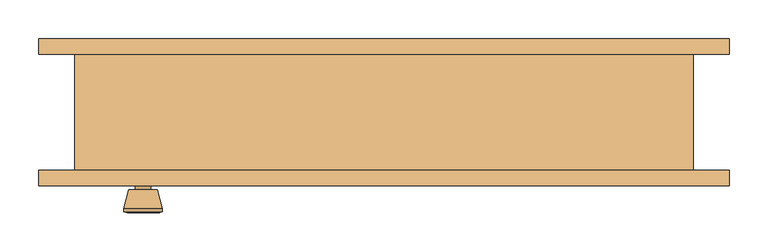
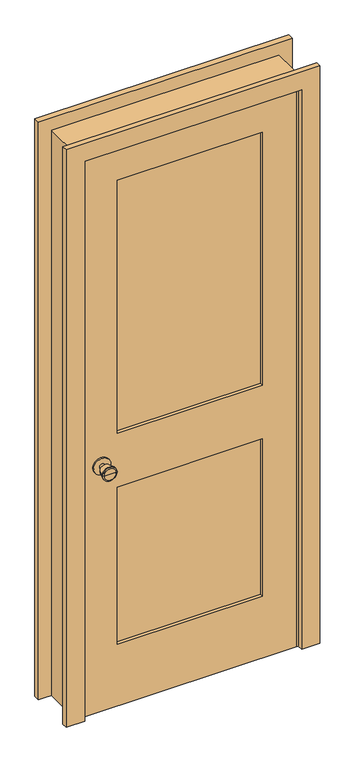
"""IFC4 building model written with IfcOpenShell, lengths in millimetres: door geometry."""

from ifc_helpers import new_model, si_unit, point, frame, frame_2d, origin, place, context, project, spatial, polyline, circle_curve, trimmed, segment, composite_curve, outline, extrude, faceted_brep, source, transform, mapped, element, save
from ifc_brep_helpers import plane_surface, cylinder_surface, revolved_surface, advanced_brep


def door_7b0aa390(model_context):
    return source(origin(), model_context, "Body", "SolidModel", [
        advanced_brep(
        [(-311.5, -30.825, 914.4), (-321.5, -30.825, 914.4), (-301.5, -30.825, 914.4), (-291.0241324, 18.175, 914.4), (-331.9758676, 18.175, 914.4), (-311.5, 18.175, 914.4), (-286.5, 16.3471319, 914.4), (-336.5, 16.3471319, 914.4), (-286.5, 12.8834537, 914.4), (-336.5, 12.8834537, 914.4), (-292.863764, -11.825, 914.4), (-330.136236, -11.825, 914.4), (-301.5, -11.825, 914.4), (-321.5, -11.825, 914.4)],
        [
            (0, 1),
            (1, 2, circle_curve(frame((-311.5, -30.825, 914.4), z_axis=(0.0, -1.0, 0.0), x_axis=(-1.0, 0.0, 0.0)), 10.0)),
            (2, 0),
            (2, 1, circle_curve(frame((-311.5, -30.825, 914.4), z_axis=(0.0, -1.0, 0.0), x_axis=(-1.0, 0.0, 0.0)), 10.0)),
            (3, 4, circle_curve(frame((-311.5, 18.175, 914.4), z_axis=(0.0, 1.0, 0.0), x_axis=(-1.0, 0.0, 0.0)), 20.4758676)),
            (4, 5),
            (5, 3),
            (4, 3, circle_curve(frame((-311.5, 18.175, 914.4), z_axis=(0.0, 1.0, 0.0), x_axis=(-1.0, 0.0, 0.0)), 20.4758676)),
            (6, 7, circle_curve(frame((-311.5, 16.3471319, 914.4), z_axis=(0.0, 1.0, 0.0), x_axis=(-1.0, 0.0, 0.0)), 25.0)),
            (7, 4),
            (3, 6),
            (7, 6, circle_curve(frame((-311.5, 16.3471319, 914.4), z_axis=(0.0, 1.0, 0.0), x_axis=(-1.0, 0.0, 0.0)), 25.0)),
            (8, 9, circle_curve(frame((-311.5, 12.8834537, 914.4), z_axis=(0.0, 1.0, 0.0), x_axis=(-1.0, 0.0, 0.0)), 25.0)),
            (9, 7),
            (6, 8),
            (9, 8, circle_curve(frame((-311.5, 12.8834537, 914.4), z_axis=(0.0, 1.0, 0.0), x_axis=(-1.0, 0.0, 0.0)), 25.0)),
            (10, 11, circle_curve(frame((-311.5, -11.825, 914.4), z_axis=(0.0, 1.0, 0.0), x_axis=(-1.0, 0.0, 0.0)), 18.636236)),
            (11, 9),
            (8, 10),
            (11, 10, circle_curve(frame((-311.5, -11.825, 914.4), z_axis=(0.0, 1.0, 0.0), x_axis=(-1.0, 0.0, 0.0)), 18.636236)),
            (12, 13, circle_curve(frame((-311.5, -11.825, 914.4), z_axis=(0.0, 1.0, 0.0), x_axis=(-1.0, 0.0, 0.0)), 10.0)),
            (13, 11),
            (10, 12),
            (13, 12, circle_curve(frame((-311.5, -11.825, 914.4), z_axis=(0.0, 1.0, 0.0), x_axis=(-1.0, 0.0, 0.0)), 10.0)),
            (1, 13),
            (12, 2),
        ],
        [
            plane_surface(frame((-311.5, -30.825, 914.4), z_axis=(0.0, -1.0, 0.0), x_axis=(-1.0, 0.0, 0.0))),
            plane_surface(frame((-311.5, 18.175, 914.4), z_axis=(0.0, 1.0, 0.0), x_axis=(-1.0, 0.0, 0.0))),
            revolved_surface(polyline([(-331.9758676, 18.175, 914.4), (-336.5, 16.3471319, 914.4)]), (-311.5, -30.825, 914.4), (0.0, -1.0, 0.0)),
            cylinder_surface(frame((-311.5, -30.825, 914.4), z_axis=(0.0, -1.0, 0.0), x_axis=(-1.0, 0.0, 0.0)), 25.0),
            revolved_surface(polyline([(-336.5, 12.8834537, 914.4), (-330.136236, -11.825, 914.4)]), (-311.5, -30.825, 914.4), (0.0, -1.0, 0.0)),
            plane_surface(frame((-311.5, -11.825, 914.4), z_axis=(0.0, -1.0, 0.0), x_axis=(-1.0, 0.0, 0.0))),
            cylinder_surface(frame((-311.5, -30.825, 914.4), z_axis=(0.0, -1.0, 0.0), x_axis=(-1.0, 0.0, 0.0)), 10.0),
        ],
        [
            (0, [[1, 2, 3]]),
            (0, [[-3, 4, -1]]),
            (1, [[5, 6, 7]]),
            (1, [[8, -7, -6]]),
            (2, [[9, 10, -5, 11]]),
            (2, [[12, -11, -8, -10]]),
            (3, [[13, 14, -9, 15]]),
            (3, [[16, -15, -12, -14]]),
            (4, [[17, 18, -13, 19]]),
            (4, [[20, -19, -16, -18]]),
            (5, [[21, 22, -17, 23]]),
            (5, [[24, -23, -20, -22]]),
            (6, [[-2, 25, -21, 26]]),
            (6, [[-4, -26, -24, -25]]),
        ],
    ),
        extrude(outline(composite_curve([segment(trimmed(circle_curve(frame_2d((914.4, -311.5)), 30.0), [point((914.4, -341.5))], [point((914.4, -281.5))], False, "CARTESIAN"), True, "CONTINUOUS"), segment(trimmed(circle_curve(frame_2d((914.4, -311.5)), 30.0), [point((914.4, -281.5))], [point((914.4, -341.5))], False, "CARTESIAN"), True, "CONTINUOUS")], self_intersect=False)), frame((0.0, -36.825, 0.0), z_axis=(0.0, 1.0, 0.0), x_axis=(0.0, 0.0, 1.0)), (0.0, 0.0, 1.0), 6.0),
        advanced_brep(
        [(-311.5, -77.825, 914.4), (-301.5, -77.825, 914.4), (-321.5, -77.825, 914.4), (-291.0241324, -126.825, 914.4), (-311.5, -126.825, 914.4), (-331.9758676, -126.825, 914.4), (-286.5, -124.9971319, 914.4), (-336.5, -124.9971319, 914.4), (-286.5, -121.5334537, 914.4), (-336.5, -121.5334537, 914.4), (-292.863764, -96.825, 914.4), (-330.136236, -96.825, 914.4), (-301.5, -96.825, 914.4), (-321.5, -96.825, 914.4)],
        [
            (0, 1),
            (1, 2, circle_curve(frame((-311.5, -77.825, 914.4), z_axis=(0.0, 1.0, 0.0), x_axis=(-1.0, 0.0, 0.0)), 10.0)),
            (2, 0),
            (2, 1, circle_curve(frame((-311.5, -77.825, 914.4), z_axis=(0.0, 1.0, 0.0), x_axis=(-1.0, 0.0, 0.0)), 10.0)),
            (3, 4),
            (4, 5),
            (5, 3, circle_curve(frame((-311.5, -126.825, 914.4), z_axis=(0.0, -1.0, 0.0), x_axis=(-1.0, 0.0, 0.0)), 20.4758676)),
            (3, 5, circle_curve(frame((-311.5, -126.825, 914.4), z_axis=(0.0, -1.0, 0.0), x_axis=(-1.0, 0.0, 0.0)), 20.4758676)),
            (6, 3),
            (5, 7),
            (7, 6, circle_curve(frame((-311.5, -124.9971319, 914.4), z_axis=(0.0, -1.0, 0.0), x_axis=(-1.0, 0.0, 0.0)), 25.0)),
            (6, 7, circle_curve(frame((-311.5, -124.9971319, 914.4), z_axis=(0.0, -1.0, 0.0), x_axis=(-1.0, 0.0, 0.0)), 25.0)),
            (8, 6),
            (7, 9),
            (9, 8, circle_curve(frame((-311.5, -121.5334537, 914.4), z_axis=(0.0, -1.0, 0.0), x_axis=(-1.0, 0.0, 0.0)), 25.0)),
            (8, 9, circle_curve(frame((-311.5, -121.5334537, 914.4), z_axis=(0.0, -1.0, 0.0), x_axis=(-1.0, 0.0, 0.0)), 25.0)),
            (10, 8),
            (9, 11),
            (11, 10, circle_curve(frame((-311.5, -96.825, 914.4), z_axis=(0.0, -1.0, 0.0), x_axis=(-1.0, 0.0, 0.0)), 18.636236)),
            (10, 11, circle_curve(frame((-311.5, -96.825, 914.4), z_axis=(0.0, -1.0, 0.0), x_axis=(-1.0, 0.0, 0.0)), 18.636236)),
            (12, 10),
            (11, 13),
            (13, 12, circle_curve(frame((-311.5, -96.825, 914.4), z_axis=(0.0, -1.0, 0.0), x_axis=(-1.0, 0.0, 0.0)), 10.0)),
            (12, 13, circle_curve(frame((-311.5, -96.825, 914.4), z_axis=(0.0, -1.0, 0.0), x_axis=(-1.0, 0.0, 0.0)), 10.0)),
            (1, 12),
            (13, 2),
        ],
        [
            plane_surface(frame((-311.5, -77.825, 914.4), z_axis=(0.0, 1.0, 0.0), x_axis=(-1.0, 0.0, 0.0))),
            plane_surface(frame((-311.5, -126.825, 914.4), z_axis=(0.0, -1.0, 0.0), x_axis=(-1.0, 0.0, 0.0))),
            revolved_surface(polyline([(-331.9758676, -126.825, 914.4), (-336.5, -124.9971319, 914.4)]), (-311.5, -77.825, 914.4), (0.0, 1.0, 0.0)),
            cylinder_surface(frame((-311.5, -77.825, 914.4), z_axis=(0.0, 1.0, 0.0), x_axis=(-1.0, 0.0, 0.0)), 25.0),
            revolved_surface(polyline([(-336.5, -121.5334537, 914.4), (-330.136236, -96.825, 914.4)]), (-311.5, -77.825, 914.4), (0.0, 1.0, 0.0)),
            plane_surface(frame((-311.5, -96.825, 914.4), z_axis=(0.0, 1.0, 0.0), x_axis=(-1.0, 0.0, 0.0))),
            cylinder_surface(frame((-311.5, -77.825, 914.4), z_axis=(0.0, 1.0, 0.0), x_axis=(-1.0, 0.0, 0.0)), 10.0),
        ],
        [
            (0, [[1, 2, 3]]),
            (0, [[-3, 4, -1]]),
            (1, [[5, 6, 7]]),
            (1, [[-6, -5, 8]]),
            (2, [[9, -7, 10, 11]]),
            (2, [[-10, -8, -9, 12]]),
            (3, [[13, -11, 14, 15]]),
            (3, [[-14, -12, -13, 16]]),
            (4, [[17, -15, 18, 19]]),
            (4, [[-18, -16, -17, 20]]),
            (5, [[21, -19, 22, 23]]),
            (5, [[-22, -20, -21, 24]]),
            (6, [[25, -23, 26, -2]]),
            (6, [[-26, -24, -25, -4]]),
        ],
    ),
        extrude(outline(composite_curve([segment(trimmed(circle_curve(frame_2d((914.4, -311.5)), 30.0), [point((914.4, -341.5))], [point((914.4, -281.5))], False, "CARTESIAN"), True, "CONTINUOUS"), segment(trimmed(circle_curve(frame_2d((914.4, -311.5)), 30.0), [point((914.4, -281.5))], [point((914.4, -341.5))], False, "CARTESIAN"), True, "CONTINUOUS")], self_intersect=False)), frame((0.0, -77.825, 0.0), z_axis=(0.0, 1.0, 0.0), x_axis=(0.0, 0.0, 1.0)), (0.0, 0.0, 1.0), 6.0),
        extrude(outline(polyline([(255.0, -48.4916667), (255.0, -60.1583333), (-255.0, -60.1583333), (-255.0, -48.4916667), (255.0, -48.4916667)])), frame((0.0, 0.0, 1014.4), z_axis=(0.0, 0.0, 1.0), x_axis=(1.0, 0.0, 0.0)), (0.0, 0.0, 1.0), 940.6),
        extrude(outline(polyline([(255.0, -48.4916667), (255.0, -60.1583333), (-255.0, -60.1583333), (-255.0, -48.4916667), (255.0, -48.4916667)])), frame((0.0, 0.0, 230.0), z_axis=(0.0, 0.0, 1.0), x_axis=(1.0, 0.0, 0.0)), (0.0, 0.0, 1.0), 584.4),
        extrude(outline(polyline([(2075.0, -375.0), (0.0, -375.0), (0.0, 375.0), (2075.0, 375.0), (2075.0, -375.0)]), holes=[polyline([(1955.0, -255.0), (1955.0, 255.0), (1014.4, 255.0), (1014.4, -255.0), (1955.0, -255.0)]), polyline([(814.4, -255.0), (814.4, 255.0), (230.0, 255.0), (230.0, -255.0), (814.4, -255.0)])]), frame((0.0, -71.825, 0.0), z_axis=(0.0, 1.0, 0.0), x_axis=(0.0, 0.0, 1.0)), (0.0, 0.0, 1.0), 35.0),
        faceted_brep([(400.0, -71.825, 0.0), (375.0, -71.825, 0.0), (375.0, -36.825, 0.0), (362.3, -36.825, 0.0), (362.3, -1.9, 0.0), (375.0, -1.9, 0.0), (375.0, 78.175, 0.0), (400.0, 78.175, 0.0), (400.0, 78.175, 2100.0), (400.0, -71.825, 2100.0), (375.0, 78.175, 2075.0), (-375.0, 78.175, 2075.0), (-375.0, 78.175, 0.0), (-400.0, 78.175, 0.0), (-400.0, 78.175, 2100.0), (375.0, -1.9, 2075.0), (362.3, -1.9, 2062.3), (-362.3, -1.9, 2062.3), (-362.3, -1.9, 0.0), (-375.0, -1.9, 0.0), (-375.0, -1.9, 2075.0), (362.3, -36.825, 2062.3), (375.0, -36.825, 2075.0), (-375.0, -36.825, 2075.0), (-375.0, -36.825, 0.0), (-362.3, -36.825, 0.0), (-362.3, -36.825, 2062.3), (375.0, -71.825, 2075.0), (-400.0, -71.825, 2100.0), (-400.0, -71.825, 0.0), (-375.0, -71.825, 0.0), (-375.0, -71.825, 2075.0)], [[[0, 1, 2, 3, 4, 5, 6, 7]], [[7, 8, 9, 0]], [[6, 10, 11, 12, 13, 14, 8, 7]], [[5, 15, 10, 6]], [[4, 16, 17, 18, 19, 20, 15, 5]], [[3, 21, 16, 4]], [[2, 22, 23, 24, 25, 26, 21, 3]], [[1, 27, 22, 2]], [[0, 9, 28, 29, 30, 31, 27, 1]], [[8, 14, 28, 9]], [[15, 20, 11, 10]], [[21, 26, 17, 16]], [[27, 31, 23, 22]], [[29, 13, 12, 19, 18, 25, 24, 30]], [[14, 13, 29, 28]], [[20, 19, 12, 11]], [[26, 25, 18, 17]], [[31, 30, 24, 23]]]),
        extrude(outline(polyline([(0.0, 446.35), (2146.35, 446.35), (2146.35, -446.35), (0.0, -446.35), (0.0, -381.35), (2081.35, -381.35), (2081.35, 381.35), (0.0, 381.35), (0.0, 446.35)])), frame((0.0, 78.175, 0.0), z_axis=(0.0, 1.0, 0.0), x_axis=(0.0, 0.0, 1.0)), (0.0, 0.0, 1.0), 20.0),
        extrude(outline(polyline([(0.0, 446.35), (2146.35, 446.35), (2146.35, -446.35), (0.0, -446.35), (0.0, -381.35), (2081.35, -381.35), (2081.35, 381.35), (0.0, 381.35), (0.0, 446.35)])), frame((0.0, -91.825, 0.0), z_axis=(0.0, 1.0, 0.0), x_axis=(0.0, 0.0, 1.0)), (0.0, 0.0, 1.0), 20.0),
    ])


if __name__ == "__main__":
    model = new_model("IFC4")
    model_context = context("Model", 3, world=origin())
    ifc_project = project(units=[si_unit("LENGTHUNIT", "METRE", prefix="MILLI")], contexts=[model_context])
    site = spatial("IfcSite", under=ifc_project)
    building = spatial("IfcBuilding", under=site)
    placement = place(None, origin())
    door_shape = door_7b0aa390(model_context)
    element("IfcDoor", 1, at=placement, inside=building, context=model_context, shape_type="MappedRepresentation", body=[
        mapped(door_shape, transform((0.0, 0.0, 0.0), x_axis=(1.0, 0.0, 0.0), y_axis=(0.0, 1.0, 0.0), z_axis=(0.0, 0.0, 1.0))),
    ])
    save(model, "model.ifc")
